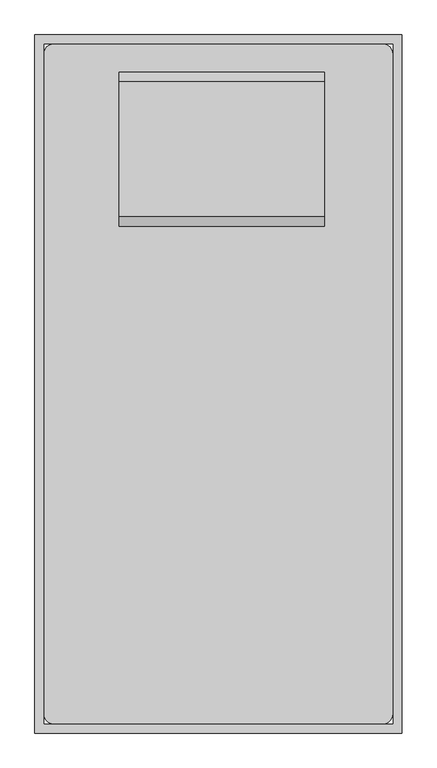
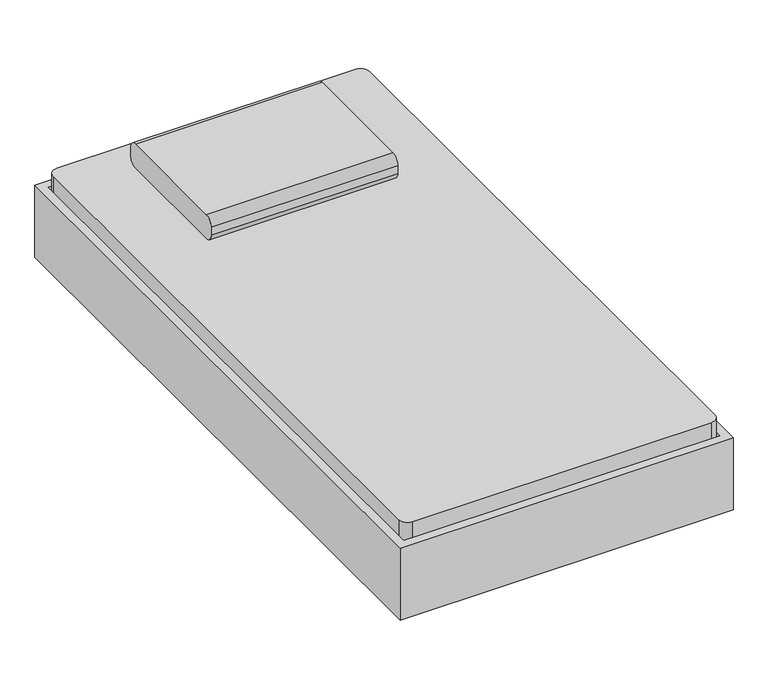
"""IFC4 building model written with IfcOpenShell, lengths in millimetres: furniture geometry."""

from ifc_helpers import new_model, si_unit, point, frame, frame_2d, origin, place, context, project, spatial, polyline, circle_curve, trimmed, segment, composite_curve, outline, extrude, source, transform, mapped, element, save
from ifc_brep_helpers import plane_surface, cylinder_surface, revolved_surface, advanced_brep


def furniture_1bbd0d86(model_context):
    return source(origin(), model_context, "Body", "SolidModel", [
        extrude(outline(composite_curve([segment(polyline([(588.5704918, 406.4), (220.2704918, 406.4)]), True, "CONTINUOUS"), segment(trimmed(circle_curve(frame_2d((220.2704918, 431.8)), 25.4), [point((220.2704918, 406.4))], [point((194.8704918, 431.8))], False, "CARTESIAN"), True, "CONTINUOUS"), segment(polyline([(194.8704918, 431.8), (194.8704918, 457.2)]), True, "CONTINUOUS"), segment(trimmed(circle_curve(frame_2d((220.2704918, 457.2)), 25.4), [point((194.8704918, 457.2))], [point((220.2704918, 482.6))], False, "CARTESIAN"), True, "CONTINUOUS"), segment(polyline([(220.2704918, 482.6), (588.5704918, 482.6)]), True, "CONTINUOUS"), segment(trimmed(circle_curve(frame_2d((588.5704918, 457.2)), 25.4), [point((588.5704918, 482.6))], [point((613.9704918, 457.2))], False, "CARTESIAN"), True, "CONTINUOUS"), segment(polyline([(613.9704918, 457.2), (613.9704918, 431.8)]), True, "CONTINUOUS"), segment(trimmed(circle_curve(frame_2d((588.5704918, 431.8)), 25.4), [point((613.9704918, 431.8))], [point((588.5704918, 406.4))], False, "CARTESIAN"), True, "CONTINUOUS")], self_intersect=False)), frame((68.052459, 0.0, 0.0), z_axis=(1.0, 0.0, 0.0), x_axis=(0.0, 1.0, 0.0)), (0.0, 0.0, 1.0), 560.3),
        advanced_brep(
        [(-135.1231784, 461.5704918, 177.8), (-135.1231784, 385.3704918, 177.8), (-135.1231784, 385.3704918, 196.85), (-135.1231784, 461.5704918, 196.85), (-84.3231784, 461.5704918, 177.8), (-84.3231784, 385.3704918, 177.8), (-72.1869899, 385.3704918, 196.85), (-72.1869899, 461.5704918, 196.85), (-8.2523099, 461.5704918, 14.6654962), (-8.2523099, 385.3704918, 14.6654962), (9.0128534, 385.3704918, 22.716374), (9.0128534, 461.5704918, 22.716374), (14.7679079, 385.3704918, 0.0), (14.7679079, 461.5704918, 0.0), (14.7679079, 385.3704918, 19.05), (14.7679079, 461.5704918, 19.05), (93.3804138, 461.5704918, 0.0), (93.3804138, 385.3704918, 0.0), (93.3804138, 385.3704918, 19.05), (93.3804138, 461.5704918, 19.05), (106.0804138, 385.3704918, 3.4029547), (106.0804138, 461.5704918, 3.4029547), (96.5554138, 385.3704918, 19.9007387), (96.5554138, 461.5704918, 19.9007387), (166.177459, 461.5704918, 38.1), (166.177459, 385.3704918, 38.1), (161.0730269, 385.3704918, 57.15), (161.0730269, 461.5704918, 57.15), (512.4518216, 461.5704918, 38.1), (512.4518216, 385.3704918, 38.1), (517.5562537, 385.3704918, 57.15), (517.5562537, 461.5704918, 57.15), (572.5488669, 461.5704918, 3.4029547), (572.5488669, 385.3704918, 3.4029547), (582.0738669, 385.3704918, 19.9007387), (582.0738669, 461.5704918, 19.9007387), (585.2488669, 385.3704918, 0.0), (585.2488669, 461.5704918, 0.0), (585.2488669, 385.3704918, 19.05), (585.2488669, 461.5704918, 19.05), (663.8613728, 461.5704918, 0.0), (663.8613728, 385.3704918, 0.0), (663.8613728, 385.3704918, 19.05), (663.8613728, 461.5704918, 19.05), (686.8815906, 385.3704918, 14.6654962), (686.8815906, 461.5704918, 14.6654962), (669.6164272, 385.3704918, 22.716374), (669.6164272, 461.5704918, 22.716374), (762.952459, 461.5704918, 177.8), (762.952459, 385.3704918, 177.8), (750.8162705, 385.3704918, 196.85), (750.8162705, 461.5704918, 196.85), (813.752459, 461.5704918, 177.8), (813.752459, 461.5704918, 196.85), (813.752459, 385.3704918, 196.85), (813.752459, 385.3704918, 177.8)],
        [
            (0, 1),
            (1, 2),
            (2, 3),
            (3, 0),
            (0, 4),
            (4, 5),
            (5, 1),
            (5, 6),
            (6, 2),
            (6, 7),
            (7, 3),
            (7, 4),
            (4, 8),
            (8, 9),
            (9, 5),
            (9, 10),
            (10, 6),
            (10, 11),
            (11, 7),
            (11, 8),
            (12, 9, circle_curve(frame((14.7679079, 385.3704918, 25.4), z_axis=(0.0, 1.0, 0.0), x_axis=(-0.906307787036649, 0.0, -0.4226182617407015)), 25.4)),
            (8, 13, circle_curve(frame((14.7679079, 461.5704918, 25.4), z_axis=(0.0, -1.0, 0.0), x_axis=(-0.906307787036649, 0.0, -0.4226182617407015)), 25.4)),
            (13, 12),
            (14, 10, circle_curve(frame((14.7679079, 385.3704918, 25.4), z_axis=(0.0, 1.0, 0.0), x_axis=(-0.906307787036649, 0.0, -0.4226182617407015)), 6.35)),
            (12, 14),
            (15, 11, circle_curve(frame((14.7679079, 461.5704918, 25.4), z_axis=(0.0, 1.0, 0.0), x_axis=(-0.906307787036649, 0.0, -0.4226182617407015)), 6.35)),
            (14, 15),
            (15, 13),
            (13, 16),
            (16, 17),
            (17, 12),
            (17, 18),
            (18, 14),
            (18, 19),
            (19, 15),
            (19, 16),
            (20, 17, circle_curve(frame((93.3804138, 385.3704918, 25.4), z_axis=(0.0, 1.0, 0.0), x_axis=(0.0, 0.0, -1.0)), 25.4)),
            (16, 21, circle_curve(frame((93.3804138, 461.5704918, 25.4), z_axis=(0.0, -1.0, 0.0), x_axis=(0.0, 0.0, -1.0)), 25.4)),
            (21, 20),
            (22, 18, circle_curve(frame((93.3804138, 385.3704918, 25.4), z_axis=(0.0, 1.0, 0.0), x_axis=(0.0, 0.0, -1.0)), 6.35)),
            (20, 22),
            (23, 19, circle_curve(frame((93.3804138, 461.5704918, 25.4), z_axis=(0.0, 1.0, 0.0), x_axis=(0.0, 0.0, -1.0)), 6.35)),
            (22, 23),
            (23, 21),
            (21, 24),
            (24, 25),
            (25, 20),
            (25, 26),
            (26, 22),
            (26, 27),
            (27, 23),
            (27, 24),
            (24, 28),
            (28, 29),
            (29, 25),
            (29, 30),
            (30, 26),
            (30, 31),
            (31, 27),
            (31, 28),
            (28, 32),
            (32, 33),
            (33, 29),
            (33, 34),
            (34, 30),
            (34, 35),
            (35, 31),
            (35, 32),
            (36, 33, circle_curve(frame((585.2488669, 385.3704918, 25.4), z_axis=(0.0, 1.0, 0.0), x_axis=(-0.49999999999989325, 0.0, -0.8660254037845003)), 25.4)),
            (32, 37, circle_curve(frame((585.2488669, 461.5704918, 25.4), z_axis=(0.0, -1.0, 0.0), x_axis=(-0.49999999999989325, 0.0, -0.8660254037845003)), 25.4)),
            (37, 36),
            (38, 34, circle_curve(frame((585.2488669, 385.3704918, 25.4), z_axis=(0.0, 1.0, 0.0), x_axis=(-0.49999999999989325, 0.0, -0.8660254037845003)), 6.35)),
            (36, 38),
            (39, 35, circle_curve(frame((585.2488669, 461.5704918, 25.4), z_axis=(0.0, 1.0, 0.0), x_axis=(-0.49999999999989325, 0.0, -0.8660254037845003)), 6.35)),
            (38, 39),
            (39, 37),
            (37, 40),
            (40, 41),
            (41, 36),
            (41, 42),
            (42, 38),
            (42, 43),
            (43, 39),
            (43, 40),
            (44, 41, circle_curve(frame((663.8613728, 385.3704918, 25.4), z_axis=(0.0, 1.0, 0.0), x_axis=(0.0, 0.0, -1.0)), 25.4)),
            (40, 45, circle_curve(frame((663.8613728, 461.5704918, 25.4), z_axis=(0.0, -1.0, 0.0), x_axis=(0.0, 0.0, -1.0)), 25.4)),
            (45, 44),
            (46, 42, circle_curve(frame((663.8613728, 385.3704918, 25.4), z_axis=(0.0, 1.0, 0.0), x_axis=(0.0, 0.0, -1.0)), 6.35)),
            (44, 46),
            (47, 43, circle_curve(frame((663.8613728, 461.5704918, 25.4), z_axis=(0.0, 1.0, 0.0), x_axis=(0.0, 0.0, -1.0)), 6.35)),
            (46, 47),
            (47, 45),
            (45, 48),
            (48, 49),
            (49, 44),
            (49, 50),
            (50, 46),
            (50, 51),
            (51, 47),
            (51, 48),
            (52, 53),
            (53, 54),
            (54, 55),
            (55, 52),
            (48, 52),
            (55, 49),
            (54, 50),
            (53, 51),
        ],
        [
            plane_surface(frame((-135.1231784, 715.5704918, -152.9490627), z_axis=(-1.0, 0.0, 0.0), x_axis=(0.0, 1.0, 0.0))),
            plane_surface(frame((-135.1231784, 461.5704918, 177.8), z_axis=(0.0, 0.0, -1.0), x_axis=(1.0, 0.0, 0.0))),
            plane_surface(frame((-135.1231784, 385.3704918, 177.8), z_axis=(0.0, -1.0, 0.0), x_axis=(1.0, 0.0, 0.0))),
            plane_surface(frame((-135.1231784, 385.3704918, 196.85), z_axis=(0.0, 0.0, 1.0), x_axis=(1.0, 0.0, 0.0))),
            plane_surface(frame((-135.1231784, 461.5704918, 196.85), z_axis=(0.0, 1.0, 0.0), x_axis=(1.0, 0.0, 0.0))),
            plane_surface(frame((-84.3231784, 461.5704918, 177.8), z_axis=(-0.9063077870366483, 0.0, -0.42261826174070327), x_axis=(0.42261826174070327, 0.0, -0.9063077870366483))),
            plane_surface(frame((-84.3231784, 385.3704918, 177.8), z_axis=(0.0, -1.0, 0.0), x_axis=(0.4226182617407027, 0.0, -0.9063077870366485))),
            plane_surface(frame((-72.1869899, 385.3704918, 196.85), z_axis=(0.9063077870366484, 0.0, 0.4226182617407027), x_axis=(0.4226182617407027, 0.0, -0.9063077870366484))),
            plane_surface(frame((-72.1869899, 461.5704918, 196.85), z_axis=(0.0, 1.0, 0.0), x_axis=(0.422618261740703, 0.0, -0.9063077870366483))),
            cylinder_surface(frame((14.7679079, 715.5704918, 25.4), z_axis=(0.0, -1.0, 0.0), x_axis=(-0.906307787036649, 0.0, -0.4226182617407015)), 25.4),
            plane_surface(frame((14.7679079, 385.3704918, 25.4), z_axis=(0.0, -1.0, 0.0), x_axis=(-0.906307787036649, 0.0, -0.4226182617407015))),
            revolved_surface(polyline([(9.01285345231728, 385.3704918, 22.716374037946544), (9.01285345231728, 461.5704918, 22.716374037946544)]), (14.7679079, 715.5704918, 25.4), (0.0, -1.0, 0.0)),
            plane_surface(frame((14.7679079, 461.5704918, 25.4), z_axis=(0.0, 1.0, 0.0), x_axis=(-0.906307787036649, 0.0, -0.4226182617407015))),
            plane_surface(frame((14.7679079, 461.5704918, 0.0), z_axis=(0.0, 0.0, -1.0), x_axis=(1.0, 0.0, 0.0))),
            plane_surface(frame((14.7679079, 385.3704918, 0.0), z_axis=(0.0, -1.0, 0.0), x_axis=(1.0, 0.0, 0.0))),
            plane_surface(frame((14.7679079, 385.3704918, 19.05), z_axis=(0.0, 0.0, 1.0), x_axis=(1.0, 0.0, 0.0))),
            plane_surface(frame((14.7679079, 461.5704918, 19.05), z_axis=(0.0, 1.0, 0.0), x_axis=(1.0, 0.0, 0.0))),
            cylinder_surface(frame((93.3804138, 715.5704918, 25.4), z_axis=(0.0, -1.0, 0.0), x_axis=(0.0, 0.0, -1.0)), 25.4),
            plane_surface(frame((93.3804138, 385.3704918, 25.4), z_axis=(0.0, -1.0, 0.0), x_axis=(0.0, 0.0, -1.0))),
            revolved_surface(polyline([(93.3804138, 385.3704918, 19.049999999999997), (93.3804138, 461.5704918, 19.049999999999997)]), (93.3804138, 715.5704918, 25.4), (0.0, -1.0, 0.0)),
            plane_surface(frame((93.3804138, 461.5704918, 25.4), z_axis=(0.0, 1.0, 0.0), x_axis=(0.0, 0.0, -1.0))),
            plane_surface(frame((106.0804138, 461.5704918, 3.4029547), z_axis=(0.4999999999999732, 0.0, -0.8660254037844541), x_axis=(0.8660254037844541, 0.0, 0.4999999999999732))),
            plane_surface(frame((106.0804138, 385.3704918, 3.4029547), z_axis=(0.0, -1.0, 0.0), x_axis=(0.8660254037844536, 0.0, 0.49999999999997413))),
            plane_surface(frame((96.5554138, 385.3704918, 19.9007387), z_axis=(-0.49999999999997363, 0.0, 0.8660254037844539), x_axis=(0.8660254037844539, 0.0, 0.49999999999997363))),
            plane_surface(frame((96.5554138, 461.5704918, 19.9007387), z_axis=(0.0, 1.0, 0.0), x_axis=(0.866025403784454, 0.0, 0.49999999999997335))),
            plane_surface(frame((166.177459, 461.5704918, 38.1), z_axis=(0.0, 0.0, -1.0), x_axis=(1.0, 0.0, 0.0))),
            plane_surface(frame((166.177459, 385.3704918, 38.1), z_axis=(0.0, -1.0, 0.0), x_axis=(1.0, 0.0, 0.0))),
            plane_surface(frame((161.0730269, 385.3704918, 57.15), z_axis=(0.0, 0.0, 1.0), x_axis=(1.0, 0.0, 0.0))),
            plane_surface(frame((161.0730269, 461.5704918, 57.15), z_axis=(0.0, 1.0, 0.0), x_axis=(1.0, 0.0, 0.0))),
            plane_surface(frame((512.4518216, 461.5704918, 38.1), z_axis=(-0.5000000000001431, 0.0, -0.8660254037843561), x_axis=(0.8660254037843561, 0.0, -0.5000000000001431))),
            plane_surface(frame((512.4518216, 385.3704918, 38.1), z_axis=(0.0, -1.0, 0.0), x_axis=(0.8660254037843563, 0.0, -0.5000000000001427))),
            plane_surface(frame((517.5562537, 385.3704918, 57.15), z_axis=(0.5000000000001422, 0.0, 0.8660254037843566), x_axis=(0.8660254037843566, 0.0, -0.5000000000001422))),
            plane_surface(frame((517.5562537, 461.5704918, 57.15), z_axis=(0.0, 1.0, 0.0), x_axis=(0.8660254037843563, 0.0, -0.5000000000001427))),
            cylinder_surface(frame((585.2488669, 715.5704918, 25.4), z_axis=(0.0, -1.0, 0.0), x_axis=(-0.49999999999989325, 0.0, -0.8660254037845003)), 25.4),
            plane_surface(frame((585.2488669, 385.3704918, 25.4), z_axis=(0.0, -1.0, 0.0), x_axis=(-0.49999999999989325, 0.0, -0.8660254037845003))),
            revolved_surface(polyline([(582.0738669000008, 385.3704918, 19.90073868596842), (582.0738669000008, 461.5704918, 19.90073868596842)]), (585.2488669, 715.5704918, 25.4), (0.0, -1.0, 0.0)),
            plane_surface(frame((585.2488669, 461.5704918, 25.4), z_axis=(0.0, 1.0, 0.0), x_axis=(-0.49999999999989325, 0.0, -0.8660254037845003))),
            plane_surface(frame((585.2488669, 461.5704918, 0.0), z_axis=(0.0, 0.0, -1.0), x_axis=(1.0, 0.0, 0.0))),
            plane_surface(frame((585.2488669, 385.3704918, 0.0), z_axis=(0.0, -1.0, 0.0), x_axis=(1.0, 0.0, 0.0))),
            plane_surface(frame((585.2488669, 385.3704918, 19.05), z_axis=(0.0, 0.0, 1.0), x_axis=(1.0, 0.0, 0.0))),
            plane_surface(frame((585.2488669, 461.5704918, 19.05), z_axis=(0.0, 1.0, 0.0), x_axis=(1.0, 0.0, 0.0))),
            cylinder_surface(frame((663.8613728, 715.5704918, 25.4), z_axis=(0.0, -1.0, 0.0), x_axis=(0.0, 0.0, -1.0)), 25.4),
            plane_surface(frame((663.8613728, 385.3704918, 25.4), z_axis=(0.0, -1.0, 0.0), x_axis=(0.0, 0.0, -1.0))),
            revolved_surface(polyline([(663.8613728, 385.3704918, 19.049999999999997), (663.8613728, 461.5704918, 19.049999999999997)]), (663.8613728, 715.5704918, 25.4), (0.0, -1.0, 0.0)),
            plane_surface(frame((663.8613728, 461.5704918, 25.4), z_axis=(0.0, 1.0, 0.0), x_axis=(0.0, 0.0, -1.0))),
            plane_surface(frame((686.8815906, 461.5704918, 14.6654962), z_axis=(0.9063077870366196, 0.0, -0.42261826174076456), x_axis=(0.42261826174076456, 0.0, 0.9063077870366196))),
            plane_surface(frame((686.8815906, 385.3704918, 14.6654962), z_axis=(0.0, -1.0, 0.0), x_axis=(0.42261826174076395, 0.0, 0.90630778703662))),
            plane_surface(frame((669.6164272, 385.3704918, 22.716374), z_axis=(-0.9063077870366194, 0.0, 0.42261826174076506), x_axis=(0.42261826174076506, 0.0, 0.9063077870366194))),
            plane_surface(frame((669.6164272, 461.5704918, 22.716374), z_axis=(0.0, 1.0, 0.0), x_axis=(0.4226182617407643, 0.0, 0.9063077870366197))),
            plane_surface(frame((813.752459, 715.5704918, -152.9490627), z_axis=(1.0, 0.0, 0.0), x_axis=(0.0, 1.0, 0.0))),
            plane_surface(frame((762.952459, 461.5704918, 177.8), z_axis=(0.0, 0.0, -1.0), x_axis=(1.0, 0.0, 0.0))),
            plane_surface(frame((762.952459, 385.3704918, 177.8), z_axis=(0.0, -1.0, 0.0), x_axis=(1.0, 0.0, 0.0))),
            plane_surface(frame((750.8162705, 385.3704918, 196.85), z_axis=(0.0, 0.0, 1.0), x_axis=(1.0, 0.0, 0.0))),
            plane_surface(frame((750.8162705, 461.5704918, 196.85), z_axis=(0.0, 1.0, 0.0), x_axis=(1.0, 0.0, 0.0))),
        ],
        [
            (0, [[1, 2, 3, 4]]),
            (1, [[-1, 5, 6, 7]]),
            (2, [[-2, -7, 8, 9]]),
            (3, [[-3, -9, 10, 11]]),
            (4, [[-4, -11, 12, -5]]),
            (5, [[-6, 13, 14, 15]]),
            (6, [[-8, -15, 16, 17]]),
            (7, [[-10, -17, 18, 19]]),
            (8, [[-12, -19, 20, -13]]),
            (9, [[21, -14, 22, 23]]),
            (10, [[24, -16, -21, 25]]),
            (11, [[26, -18, -24, 27]]),
            (12, [[-22, -20, -26, 28]]),
            (13, [[-23, 29, 30, 31]]),
            (14, [[-25, -31, 32, 33]]),
            (15, [[-27, -33, 34, 35]]),
            (16, [[-28, -35, 36, -29]]),
            (17, [[37, -30, 38, 39]]),
            (18, [[40, -32, -37, 41]]),
            (19, [[42, -34, -40, 43]]),
            (20, [[-38, -36, -42, 44]]),
            (21, [[-39, 45, 46, 47]]),
            (22, [[-41, -47, 48, 49]]),
            (23, [[-43, -49, 50, 51]]),
            (24, [[-44, -51, 52, -45]]),
            (25, [[-46, 53, 54, 55]]),
            (26, [[-48, -55, 56, 57]]),
            (27, [[-50, -57, 58, 59]]),
            (28, [[-52, -59, 60, -53]]),
            (29, [[-54, 61, 62, 63]]),
            (30, [[-56, -63, 64, 65]]),
            (31, [[-58, -65, 66, 67]]),
            (32, [[-60, -67, 68, -61]]),
            (33, [[69, -62, 70, 71]]),
            (34, [[72, -64, -69, 73]]),
            (35, [[74, -66, -72, 75]]),
            (36, [[-70, -68, -74, 76]]),
            (37, [[-71, 77, 78, 79]]),
            (38, [[-73, -79, 80, 81]]),
            (39, [[-75, -81, 82, 83]]),
            (40, [[-76, -83, 84, -77]]),
            (41, [[85, -78, 86, 87]]),
            (42, [[88, -80, -85, 89]]),
            (43, [[90, -82, -88, 91]]),
            (44, [[-86, -84, -90, 92]]),
            (45, [[-87, 93, 94, 95]]),
            (46, [[-89, -95, 96, 97]]),
            (47, [[-91, -97, 98, 99]]),
            (48, [[-92, -99, 100, -93]]),
            (49, [[101, 102, 103, 104]]),
            (50, [[-94, 105, -104, 106]]),
            (51, [[-96, -106, -103, 107]]),
            (52, [[-98, -107, -102, 108]]),
            (53, [[-100, -108, -101, -105]]),
        ],
    ),
        extrude(outline(composite_curve([segment(polyline([(-110.047541, 690.1704918), (788.352459, 690.1704918)]), True, "CONTINUOUS"), segment(trimmed(circle_curve(frame_2d((788.352459, 664.7704918)), 25.4), [point((788.352459, 690.1704918))], [point((813.752459, 664.7704918))], False, "CARTESIAN"), True, "CONTINUOUS"), segment(polyline([(813.752459, 664.7704918), (813.752459, -1133.6295082)]), True, "CONTINUOUS"), segment(trimmed(circle_curve(frame_2d((788.352459, -1133.6295082)), 25.4), [point((813.752459, -1133.6295082))], [point((788.352459, -1159.0295082))], False, "CARTESIAN"), True, "CONTINUOUS"), segment(polyline([(788.352459, -1159.0295082), (-110.047541, -1159.0295082)]), True, "CONTINUOUS"), segment(trimmed(circle_curve(frame_2d((-110.047541, -1133.6295082)), 25.4), [point((-110.047541, -1159.0295082))], [point((-135.447541, -1133.6295082))], False, "CARTESIAN"), True, "CONTINUOUS"), segment(polyline([(-135.447541, -1133.6295082), (-135.447541, 664.7704918)]), True, "CONTINUOUS"), segment(trimmed(circle_curve(frame_2d((-110.047541, 664.7704918)), 25.4), [point((-135.447541, 664.7704918))], [point((-110.047541, 690.1704918))], False, "CARTESIAN"), True, "CONTINUOUS")], self_intersect=False)), frame((0.0, 0.0, 203.2), z_axis=(0.0, 0.0, 1.0), x_axis=(1.0, 0.0, 0.0)), (0.0, 0.0, 1.0), 203.2),
        advanced_brep(
        [(-135.447541, -879.6295082, 196.85), (-135.447541, -879.6295082, 177.8), (-135.447541, -955.8295082, 177.8), (-135.447541, -955.8295082, 196.85), (-72.5113525, -879.6295082, 196.85), (-84.647541, -879.6295082, 177.8), (-84.647541, -955.8295082, 177.8), (-72.5113525, -955.8295082, 196.85), (8.6884908, -879.6295082, 22.716374), (-8.5766725, -879.6295082, 14.6654962), (-8.5766725, -955.8295082, 14.6654962), (8.6884908, -955.8295082, 22.716374), (14.4435453, -879.6295082, 0.0), (14.4435453, -879.6295082, 19.05), (14.4435453, -955.8295082, 0.0), (14.4435453, -955.8295082, 19.05), (93.0560511, -879.6295082, 19.05), (93.0560511, -879.6295082, 0.0), (93.0560511, -955.8295082, 0.0), (93.0560511, -955.8295082, 19.05), (105.7560511, -879.6295082, 3.4029547), (96.2310511, -879.6295082, 19.9007387), (105.7560511, -955.8295082, 3.4029547), (96.2310511, -955.8295082, 19.9007387), (160.7486643, -879.6295082, 57.15), (165.8530964, -879.6295082, 38.1), (165.8530964, -955.8295082, 38.1), (160.7486643, -955.8295082, 57.15), (517.5562537, -879.6295082, 57.15), (512.4518216, -879.6295082, 38.1), (512.4518216, -955.8295082, 38.1), (517.5562537, -955.8295082, 57.15), (582.0738669, -879.6295082, 19.9007387), (572.5488669, -879.6295082, 3.4029547), (572.5488669, -955.8295082, 3.4029547), (582.0738669, -955.8295082, 19.9007387), (585.2488669, -879.6295082, 0.0), (585.2488669, -879.6295082, 19.05), (585.2488669, -955.8295082, 0.0), (585.2488669, -955.8295082, 19.05), (663.8613728, -879.6295082, 19.05), (663.8613728, -879.6295082, 0.0), (663.8613728, -955.8295082, 0.0), (663.8613728, -955.8295082, 19.05), (686.8815906, -879.6295082, 14.6654962), (669.6164272, -879.6295082, 22.716374), (686.8815906, -955.8295082, 14.6654962), (669.6164272, -955.8295082, 22.716374), (750.8162705, -879.6295082, 196.85), (762.952459, -879.6295082, 177.8), (762.952459, -955.8295082, 177.8), (750.8162705, -955.8295082, 196.85), (813.752459, -879.6295082, 196.85), (813.752459, -955.8295082, 196.85), (813.752459, -955.8295082, 177.8), (813.752459, -879.6295082, 177.8)],
        [
            (0, 1),
            (1, 2),
            (2, 3),
            (3, 0),
            (0, 4),
            (4, 5),
            (5, 1),
            (5, 6),
            (6, 2),
            (6, 7),
            (7, 3),
            (7, 4),
            (4, 8),
            (8, 9),
            (9, 5),
            (9, 10),
            (10, 6),
            (10, 11),
            (11, 7),
            (11, 8),
            (12, 9, circle_curve(frame((14.4435453, -879.6295082, 25.4), z_axis=(0.0, 1.0, 0.0), x_axis=(-0.9063077870366625, 0.0, -0.4226182617406725)), 25.4)),
            (8, 13, circle_curve(frame((14.4435453, -879.6295082, 25.4), z_axis=(0.0, -1.0, 0.0), x_axis=(-0.9063077870366625, 0.0, -0.4226182617406725)), 6.35)),
            (13, 12),
            (14, 10, circle_curve(frame((14.4435453, -955.8295082, 25.4), z_axis=(0.0, 1.0, 0.0), x_axis=(-0.9063077870366625, 0.0, -0.4226182617406725)), 25.4)),
            (12, 14),
            (15, 11, circle_curve(frame((14.4435453, -955.8295082, 25.4), z_axis=(0.0, 1.0, 0.0), x_axis=(-0.9063077870366625, 0.0, -0.4226182617406725)), 6.35)),
            (14, 15),
            (15, 13),
            (13, 16),
            (16, 17),
            (17, 12),
            (17, 18),
            (18, 14),
            (18, 19),
            (19, 15),
            (19, 16),
            (20, 17, circle_curve(frame((93.0560511, -879.6295082, 25.4), z_axis=(0.0, 1.0, 0.0), x_axis=(0.0, 0.0, -1.0)), 25.4)),
            (16, 21, circle_curve(frame((93.0560511, -879.6295082, 25.4), z_axis=(0.0, -1.0, 0.0), x_axis=(0.0, 0.0, -1.0)), 6.35)),
            (21, 20),
            (22, 18, circle_curve(frame((93.0560511, -955.8295082, 25.4), z_axis=(0.0, 1.0, 0.0), x_axis=(0.0, 0.0, -1.0)), 25.4)),
            (20, 22),
            (23, 19, circle_curve(frame((93.0560511, -955.8295082, 25.4), z_axis=(0.0, 1.0, 0.0), x_axis=(0.0, 0.0, -1.0)), 6.35)),
            (22, 23),
            (23, 21),
            (21, 24),
            (24, 25),
            (25, 20),
            (25, 26),
            (26, 22),
            (26, 27),
            (27, 23),
            (27, 24),
            (24, 28),
            (28, 29),
            (29, 25),
            (29, 30),
            (30, 26),
            (30, 31),
            (31, 27),
            (31, 28),
            (28, 32),
            (32, 33),
            (33, 29),
            (33, 34),
            (34, 30),
            (34, 35),
            (35, 31),
            (35, 32),
            (36, 33, circle_curve(frame((585.2488669, -879.6295082, 25.4), z_axis=(0.0, 1.0, 0.0), x_axis=(-0.5000000000000528, 0.0, -0.8660254037844081)), 25.4)),
            (32, 37, circle_curve(frame((585.2488669, -879.6295082, 25.4), z_axis=(0.0, -1.0, 0.0), x_axis=(-0.5000000000000528, 0.0, -0.8660254037844081)), 6.35)),
            (37, 36),
            (38, 34, circle_curve(frame((585.2488669, -955.8295082, 25.4), z_axis=(0.0, 1.0, 0.0), x_axis=(-0.5000000000000528, 0.0, -0.8660254037844081)), 25.4)),
            (36, 38),
            (39, 35, circle_curve(frame((585.2488669, -955.8295082, 25.4), z_axis=(0.0, 1.0, 0.0), x_axis=(-0.5000000000000528, 0.0, -0.8660254037844081)), 6.35)),
            (38, 39),
            (39, 37),
            (37, 40),
            (40, 41),
            (41, 36),
            (41, 42),
            (42, 38),
            (42, 43),
            (43, 39),
            (43, 40),
            (44, 41, circle_curve(frame((663.8613728, -879.6295082, 25.4), z_axis=(0.0, 1.0, 0.0), x_axis=(0.0, 0.0, -1.0)), 25.4)),
            (40, 45, circle_curve(frame((663.8613728, -879.6295082, 25.4), z_axis=(0.0, -1.0, 0.0), x_axis=(0.0, 0.0, -1.0)), 6.35)),
            (45, 44),
            (46, 42, circle_curve(frame((663.8613728, -955.8295082, 25.4), z_axis=(0.0, 1.0, 0.0), x_axis=(0.0, 0.0, -1.0)), 25.4)),
            (44, 46),
            (47, 43, circle_curve(frame((663.8613728, -955.8295082, 25.4), z_axis=(0.0, 1.0, 0.0), x_axis=(0.0, 0.0, -1.0)), 6.35)),
            (46, 47),
            (47, 45),
            (45, 48),
            (48, 49),
            (49, 44),
            (49, 50),
            (50, 46),
            (50, 51),
            (51, 47),
            (51, 48),
            (52, 53),
            (53, 54),
            (54, 55),
            (55, 52),
            (48, 52),
            (55, 49),
            (54, 50),
            (53, 51),
        ],
        [
            plane_surface(frame((-135.447541, -1184.4295082, -127.5947323), z_axis=(-1.0, 0.0, 0.0), x_axis=(0.0, 1.0, 0.0))),
            plane_surface(frame((-135.447541, -879.6295082, 196.85), z_axis=(0.0, 1.0, 0.0), x_axis=(1.0, 0.0, 0.0))),
            plane_surface(frame((-135.447541, -879.6295082, 177.8), z_axis=(0.0, 0.0, -1.0), x_axis=(1.0, 0.0, 0.0))),
            plane_surface(frame((-135.447541, -955.8295082, 177.8), z_axis=(0.0, -1.0, 0.0), x_axis=(1.0, 0.0, 0.0))),
            plane_surface(frame((-135.447541, -955.8295082, 196.85), z_axis=(0.0, 0.0, 1.0), x_axis=(1.0, 0.0, 0.0))),
            plane_surface(frame((-72.5113525, -879.6295082, 196.85), z_axis=(0.0, 1.0, 0.0), x_axis=(0.4226182617406619, 0.0, -0.9063077870366675))),
            plane_surface(frame((-84.647541, -879.6295082, 177.8), z_axis=(-0.9063077870366676, 0.0, -0.42261826174066175), x_axis=(0.42261826174066175, 0.0, -0.9063077870366676))),
            plane_surface(frame((-84.647541, -955.8295082, 177.8), z_axis=(0.0, -1.0, 0.0), x_axis=(0.42261826174066175, 0.0, -0.9063077870366676))),
            plane_surface(frame((-72.5113525, -955.8295082, 196.85), z_axis=(0.9063077870366675, 0.0, 0.4226182617406619), x_axis=(0.4226182617406619, 0.0, -0.9063077870366675))),
            plane_surface(frame((14.4435453, -879.6295082, 25.4), z_axis=(0.0, 1.0, 0.0), x_axis=(-0.9063077870366625, 0.0, -0.4226182617406725))),
            cylinder_surface(frame((14.4435453, -1184.4295082, 25.4), z_axis=(0.0, -1.0, 0.0), x_axis=(-0.9063077870366625, 0.0, -0.4226182617406725)), 25.4),
            plane_surface(frame((14.4435453, -955.8295082, 25.4), z_axis=(0.0, -1.0, 0.0), x_axis=(-0.9063077870366625, 0.0, -0.4226182617406725))),
            revolved_surface(polyline([(8.688490852317194, -955.8295082, 22.71637403794673), (8.688490852317194, -879.6295082, 22.71637403794673)]), (14.4435453, -1184.4295082, 25.4), (0.0, -1.0, 0.0)),
            plane_surface(frame((14.4435453, -879.6295082, 19.05), z_axis=(0.0, 1.0, 0.0), x_axis=(1.0, 0.0, 0.0))),
            plane_surface(frame((14.4435453, -879.6295082, 0.0), z_axis=(0.0, 0.0, -1.0), x_axis=(1.0, 0.0, 0.0))),
            plane_surface(frame((14.4435453, -955.8295082, 0.0), z_axis=(0.0, -1.0, 0.0), x_axis=(1.0, 0.0, 0.0))),
            plane_surface(frame((14.4435453, -955.8295082, 19.05), z_axis=(0.0, 0.0, 1.0), x_axis=(1.0, 0.0, 0.0))),
            plane_surface(frame((93.0560511, -879.6295082, 25.4), z_axis=(0.0, 1.0, 0.0), x_axis=(0.0, 0.0, -1.0))),
            cylinder_surface(frame((93.0560511, -1184.4295082, 25.4), z_axis=(0.0, -1.0, 0.0), x_axis=(0.0, 0.0, -1.0)), 25.4),
            plane_surface(frame((93.0560511, -955.8295082, 25.4), z_axis=(0.0, -1.0, 0.0), x_axis=(0.0, 0.0, -1.0))),
            revolved_surface(polyline([(93.0560511, -955.8295082, 19.049999999999997), (93.0560511, -879.6295082, 19.049999999999997)]), (93.0560511, -1184.4295082, 25.4), (0.0, -1.0, 0.0)),
            plane_surface(frame((96.2310511, -879.6295082, 19.9007387), z_axis=(0.0, 1.0, 0.0), x_axis=(0.8660254037845012, 0.0, 0.4999999999998916))),
            plane_surface(frame((105.7560511, -879.6295082, 3.4029547), z_axis=(0.4999999999998924, 0.0, -0.8660254037845008), x_axis=(0.8660254037845008, 0.0, 0.4999999999998924))),
            plane_surface(frame((105.7560511, -955.8295082, 3.4029547), z_axis=(0.0, -1.0000000000000002, 0.0), x_axis=(0.8660254037845014, 0.0, 0.49999999999989136))),
            plane_surface(frame((96.2310511, -955.8295082, 19.9007387), z_axis=(-0.499999999999891, 0.0, 0.8660254037845017), x_axis=(0.8660254037845017, 0.0, 0.499999999999891))),
            plane_surface(frame((160.7486643, -879.6295082, 57.15), z_axis=(0.0, 1.0, 0.0), x_axis=(1.0, 0.0, 0.0))),
            plane_surface(frame((165.8530964, -879.6295082, 38.1), z_axis=(0.0, 0.0, -1.0), x_axis=(1.0, 0.0, 0.0))),
            plane_surface(frame((165.8530964, -955.8295082, 38.1), z_axis=(0.0, -1.0, 0.0), x_axis=(1.0, 0.0, 0.0))),
            plane_surface(frame((160.7486643, -955.8295082, 57.15), z_axis=(0.0, 0.0, 1.0), x_axis=(1.0, 0.0, 0.0))),
            plane_surface(frame((517.5562537, -879.6295082, 57.15), z_axis=(0.0, 1.0, 0.0), x_axis=(0.8660254037844088, 0.0, -0.5000000000000517))),
            plane_surface(frame((512.4518216, -879.6295082, 38.1), z_axis=(-0.5000000000000518, 0.0, -0.8660254037844087), x_axis=(0.8660254037844087, 0.0, -0.5000000000000518))),
            plane_surface(frame((512.4518216, -955.8295082, 38.1), z_axis=(0.0, -1.0, 0.0), x_axis=(0.8660254037844087, 0.0, -0.500000000000052))),
            plane_surface(frame((517.5562537, -955.8295082, 57.15), z_axis=(0.5000000000000521, 0.0, 0.8660254037844086), x_axis=(0.8660254037844086, 0.0, -0.5000000000000521))),
            plane_surface(frame((585.2488669, -879.6295082, 25.4), z_axis=(0.0, 1.0000000000000002, 0.0), x_axis=(-0.500000000000053, 0.0, -0.8660254037844082))),
            cylinder_surface(frame((585.2488669, -1184.4295082, 25.4), z_axis=(0.0, -1.0, 0.0), x_axis=(-0.5000000000000528, 0.0, -0.8660254037844081)), 25.4),
            plane_surface(frame((585.2488669, -955.8295082, 25.4), z_axis=(0.0, -1.0000000000000002, 0.0), x_axis=(-0.500000000000053, 0.0, -0.8660254037844082))),
            revolved_surface(polyline([(582.0738668999998, -955.8295082, 19.900738685969007), (582.0738668999998, -879.6295082, 19.900738685969007)]), (585.2488669, -1184.4295082, 25.4), (0.0, -1.0, 0.0)),
            plane_surface(frame((585.2488669, -879.6295082, 19.05), z_axis=(0.0, 1.0, 0.0), x_axis=(1.0, 0.0, 0.0))),
            plane_surface(frame((585.2488669, -879.6295082, 0.0), z_axis=(0.0, 0.0, -1.0), x_axis=(1.0, 0.0, 0.0))),
            plane_surface(frame((585.2488669, -955.8295082, 0.0), z_axis=(0.0, -1.0, 0.0), x_axis=(1.0, 0.0, 0.0))),
            plane_surface(frame((585.2488669, -955.8295082, 19.05), z_axis=(0.0, 0.0, 1.0), x_axis=(1.0, 0.0, 0.0))),
            plane_surface(frame((663.8613728, -879.6295082, 25.4), z_axis=(0.0, 1.0, 0.0), x_axis=(0.0, 0.0, -1.0))),
            cylinder_surface(frame((663.8613728, -1184.4295082, 25.4), z_axis=(0.0, -1.0, 0.0), x_axis=(0.0, 0.0, -1.0)), 25.4),
            plane_surface(frame((663.8613728, -955.8295082, 25.4), z_axis=(0.0, -1.0, 0.0), x_axis=(0.0, 0.0, -1.0))),
            revolved_surface(polyline([(663.8613728, -955.8295082, 19.049999999999997), (663.8613728, -879.6295082, 19.049999999999997)]), (663.8613728, -1184.4295082, 25.4), (0.0, -1.0, 0.0)),
            plane_surface(frame((669.6164272, -879.6295082, 22.716374), z_axis=(0.0, 1.0, 0.0), x_axis=(0.4226182617405397, 0.0, 0.9063077870367244))),
            plane_surface(frame((686.8815906, -879.6295082, 14.6654962), z_axis=(0.9063077870367248, 0.0, -0.4226182617405391), x_axis=(0.4226182617405391, 0.0, 0.9063077870367248))),
            plane_surface(frame((686.8815906, -955.8295082, 14.6654962), z_axis=(0.0, -1.0, 0.0), x_axis=(0.42261826174053924, 0.0, 0.9063077870367247))),
            plane_surface(frame((669.6164272, -955.8295082, 22.716374), z_axis=(-0.9063077870367248, 0.0, 0.42261826174053896), x_axis=(0.42261826174053896, 0.0, 0.9063077870367248))),
            plane_surface(frame((813.752459, -1184.4295082, -127.5947323), z_axis=(1.0, 0.0, 0.0), x_axis=(0.0, 1.0, 0.0))),
            plane_surface(frame((750.8162705, -879.6295082, 196.85), z_axis=(0.0, 1.0, 0.0), x_axis=(1.0, 0.0, 0.0))),
            plane_surface(frame((762.952459, -879.6295082, 177.8), z_axis=(0.0, 0.0, -1.0), x_axis=(1.0, 0.0, 0.0))),
            plane_surface(frame((762.952459, -955.8295082, 177.8), z_axis=(0.0, -1.0, 0.0), x_axis=(1.0, 0.0, 0.0))),
            plane_surface(frame((750.8162705, -955.8295082, 196.85), z_axis=(0.0, 0.0, 1.0), x_axis=(1.0, 0.0, 0.0))),
        ],
        [
            (0, [[1, 2, 3, 4]]),
            (1, [[-1, 5, 6, 7]]),
            (2, [[-2, -7, 8, 9]]),
            (3, [[-3, -9, 10, 11]]),
            (4, [[-4, -11, 12, -5]]),
            (5, [[-6, 13, 14, 15]]),
            (6, [[-8, -15, 16, 17]]),
            (7, [[-10, -17, 18, 19]]),
            (8, [[-12, -19, 20, -13]]),
            (9, [[21, -14, 22, 23]]),
            (10, [[24, -16, -21, 25]]),
            (11, [[26, -18, -24, 27]]),
            (12, [[-22, -20, -26, 28]]),
            (13, [[-23, 29, 30, 31]]),
            (14, [[-25, -31, 32, 33]]),
            (15, [[-27, -33, 34, 35]]),
            (16, [[-28, -35, 36, -29]]),
            (17, [[37, -30, 38, 39]]),
            (18, [[40, -32, -37, 41]]),
            (19, [[42, -34, -40, 43]]),
            (20, [[-38, -36, -42, 44]]),
            (21, [[-39, 45, 46, 47]]),
            (22, [[-41, -47, 48, 49]]),
            (23, [[-43, -49, 50, 51]]),
            (24, [[-44, -51, 52, -45]]),
            (25, [[-46, 53, 54, 55]]),
            (26, [[-48, -55, 56, 57]]),
            (27, [[-50, -57, 58, 59]]),
            (28, [[-52, -59, 60, -53]]),
            (29, [[-54, 61, 62, 63]]),
            (30, [[-56, -63, 64, 65]]),
            (31, [[-58, -65, 66, 67]]),
            (32, [[-60, -67, 68, -61]]),
            (33, [[69, -62, 70, 71]]),
            (34, [[72, -64, -69, 73]]),
            (35, [[74, -66, -72, 75]]),
            (36, [[-70, -68, -74, 76]]),
            (37, [[-71, 77, 78, 79]]),
            (38, [[-73, -79, 80, 81]]),
            (39, [[-75, -81, 82, 83]]),
            (40, [[-76, -83, 84, -77]]),
            (41, [[85, -78, 86, 87]]),
            (42, [[88, -80, -85, 89]]),
            (43, [[90, -82, -88, 91]]),
            (44, [[-86, -84, -90, 92]]),
            (45, [[-87, 93, 94, 95]]),
            (46, [[-89, -95, 96, 97]]),
            (47, [[-91, -97, 98, 99]]),
            (48, [[-92, -99, 100, -93]]),
            (49, [[101, 102, 103, 104]]),
            (50, [[-94, 105, -104, 106]]),
            (51, [[-96, -106, -103, 107]]),
            (52, [[-98, -107, -102, 108]]),
            (53, [[-100, -108, -101, -105]]),
        ],
    ),
        extrude(outline(polyline([(839.152459, 715.5704918), (839.152459, -1184.4295082), (-160.847541, -1184.4295082), (-160.847541, 715.5704918), (839.152459, 715.5704918)]), holes=[polyline([(813.752459, 690.1704918), (-135.447541, 690.1704918), (-135.447541, -1159.0295082), (813.752459, -1159.0295082), (813.752459, 690.1704918)])]), frame((0.0, 0.0, 127.0), z_axis=(0.0, 0.0, 1.0), x_axis=(1.0, 0.0, 0.0)), (0.0, 0.0, 1.0), 228.6),
    ])


if __name__ == "__main__":
    model = new_model("IFC4")
    model_context = context("Model", 3, world=origin())
    ifc_project = project(units=[si_unit("LENGTHUNIT", "METRE", prefix="MILLI")], contexts=[model_context])
    site = spatial("IfcSite", under=ifc_project)
    building = spatial("IfcBuilding", under=site)
    placement = place(None, origin())
    furniture_shape = furniture_1bbd0d86(model_context)
    element("IfcFurniture", 1, at=placement, inside=building, context=model_context, shape_type="MappedRepresentation", body=[
        mapped(furniture_shape, transform((0.0, 0.0, 0.0), x_axis=(1.0, 0.0, 0.0), y_axis=(0.0, 1.0, 0.0), z_axis=(0.0, 0.0, 1.0))),
    ])
    save(model, "model.ifc")
